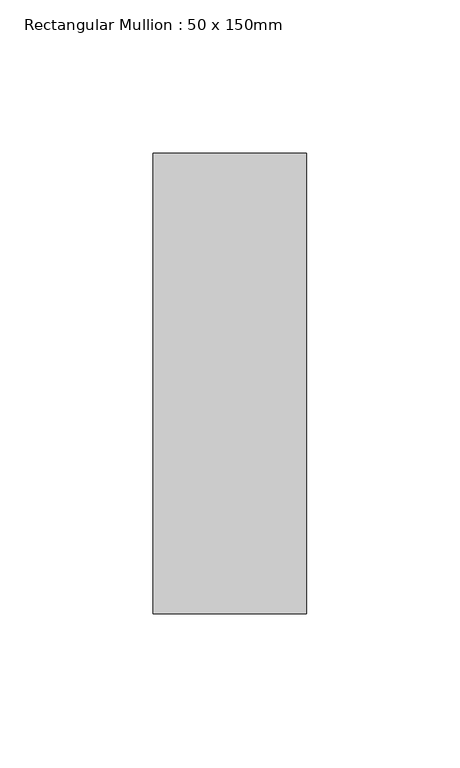
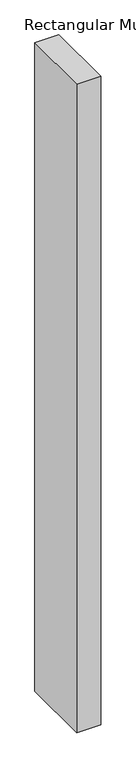
"""IFC4 building model written with IfcOpenShell, lengths in millimetres: member geometry, Rectangular Mullion : 50 x 150mm."""

from ifc_helpers import new_model, si_unit, frame, origin, place, context, project, spatial, polyline, outline, extrude, source, transform, mapped, element, save


def rectangular_mullion_50_x_150mm_f11e56a8(model_context):
    return source(origin(), model_context, "Body", "SweptSolid", [
        extrude(outline(polyline([(25.0, 75.0), (25.0, -75.0), (-25.0, -75.0), (-25.0, 75.0), (25.0, 75.0)])), frame((0.0, 0.0, -1425.5124378), z_axis=(0.0, 0.0, 1.0), x_axis=(1.0, 0.0, 0.0)), (0.0, 0.0, 1.0), 1425.5124378),
    ])


if __name__ == "__main__":
    model = new_model("IFC4")
    model_context = context("Model", 3, world=origin())
    ifc_project = project(units=[si_unit("LENGTHUNIT", "METRE", prefix="MILLI")], contexts=[model_context])
    site = spatial("IfcSite", under=ifc_project)
    building = spatial("IfcBuilding", under=site)
    placement = place(None, origin())
    rectangular_mullion_50_x_150mm_shape = rectangular_mullion_50_x_150mm_f11e56a8(model_context)
    element("IfcMember", 1, ObjectType="Rectangular Mullion : 50 x 150mm", at=placement, inside=building, context=model_context, shape_type="MappedRepresentation", body=[
        mapped(rectangular_mullion_50_x_150mm_shape, transform((0.0, 0.0, 0.0), x_axis=(1.0, 0.0, 0.0), y_axis=(0.0, 1.0, 0.0), z_axis=(0.0, 0.0, 1.0))),
    ])
    save(model, "model.ifc")
